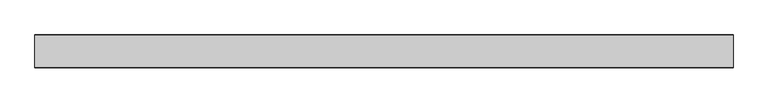
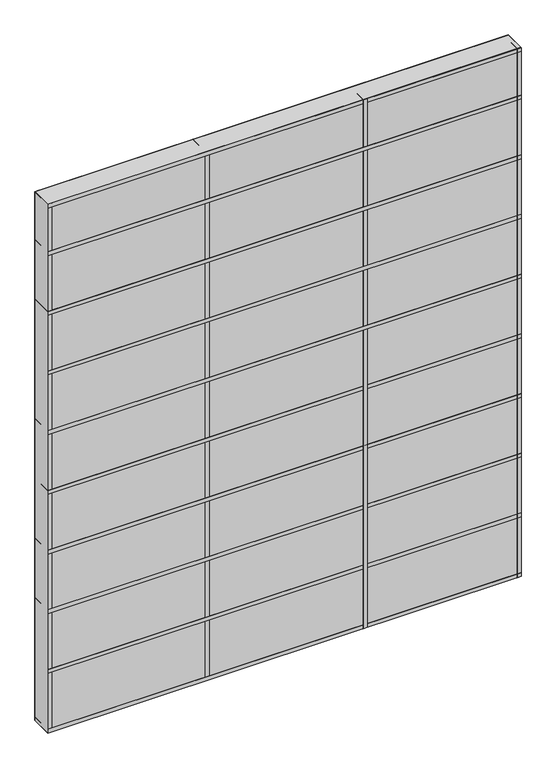
"""IFC4 building model written with IfcOpenShell, lengths in millimetres: plate geometry."""

from ifc_helpers import new_model, si_unit, frame, origin, origin_with_axes, place, context, project, spatial, polyline, outline, extrude, source, transform, mapped, element, save


def plate_dddb5581(model_context):
    return source(origin(), model_context, "Body", "SweptSolid", [
        extrude(outline(polyline([(762.0, 34.925), (762.0, -34.925), (-762.0, -34.925), (-762.0, 34.925), (762.0, 34.925)])), origin_with_axes(), (0.0, 0.0, 1.0), 1799.8),
        extrude(outline(polyline([(762.0, 35.71875), (762.0, -35.71875), (-762.0, -35.71875), (-762.0, 35.71875), (762.0, 35.71875)])), frame((0.0, 0.0, 1625.6), z_axis=(0.0, 0.0, 1.0), x_axis=(1.0, 0.0, 0.0)), (0.0, 0.0, 1.0), 12.7),
        extrude(outline(polyline([(762.0, 35.71875), (762.0, -35.71875), (-762.0, -35.71875), (-762.0, 35.71875), (762.0, 35.71875)])), frame((0.0, 0.0, 1422.4), z_axis=(0.0, 0.0, 1.0), x_axis=(1.0, 0.0, 0.0)), (0.0, 0.0, 1.0), 12.7),
        extrude(outline(polyline([(762.0, 35.71875), (762.0, -35.71875), (-762.0, -35.71875), (-762.0, 35.71875), (762.0, 35.71875)])), frame((0.0, 0.0, 1219.2), z_axis=(0.0, 0.0, 1.0), x_axis=(1.0, 0.0, 0.0)), (0.0, 0.0, 1.0), 12.7),
        extrude(outline(polyline([(762.0, 35.71875), (762.0, -35.71875), (-762.0, -35.71875), (-762.0, 35.71875), (762.0, 35.71875)])), frame((0.0, 0.0, 1016.0), z_axis=(0.0, 0.0, 1.0), x_axis=(1.0, 0.0, 0.0)), (0.0, 0.0, 1.0), 12.7),
        extrude(outline(polyline([(266.7, 35.71875), (266.7, -35.71875), (254.0, -35.71875), (254.0, 35.71875), (266.7, 35.71875)])), origin_with_axes(), (0.0, 0.0, 1.0), 1799.8),
        extrude(outline(polyline([(762.0, 35.71875), (762.0, -35.71875), (-762.0, -35.71875), (-762.0, 35.71875), (762.0, 35.71875)])), frame((0.0, 0.0, 812.8), z_axis=(0.0, 0.0, 1.0), x_axis=(1.0, 0.0, 0.0)), (0.0, 0.0, 1.0), 12.7),
        extrude(outline(polyline([(762.0, 35.71875), (762.0, -35.71875), (-762.0, -35.71875), (-762.0, 35.71875), (762.0, 35.71875)])), frame((0.0, 0.0, 609.6), z_axis=(0.0, 0.0, 1.0), x_axis=(1.0, 0.0, 0.0)), (0.0, 0.0, 1.0), 12.7),
        extrude(outline(polyline([(762.0, 35.71875), (762.0, -35.71875), (-762.0, -35.71875), (-762.0, 35.71875), (762.0, 35.71875)])), frame((0.0, 0.0, 406.4), z_axis=(0.0, 0.0, 1.0), x_axis=(1.0, 0.0, 0.0)), (0.0, 0.0, 1.0), 12.7),
        extrude(outline(polyline([(762.0, 35.71875), (762.0, -35.71875), (-762.0, -35.71875), (-762.0, 35.71875), (762.0, 35.71875)])), frame((0.0, 0.0, 1787.1), z_axis=(0.0, 0.0, 1.0), x_axis=(1.0, 0.0, 0.0)), (0.0, 0.0, 1.0), 12.7),
        extrude(outline(polyline([(762.0, 35.71875), (762.0, -35.71875), (-762.0, -35.71875), (-762.0, 35.71875), (762.0, 35.71875)])), frame((0.0, 0.0, 203.2), z_axis=(0.0, 0.0, 1.0), x_axis=(1.0, 0.0, 0.0)), (0.0, 0.0, 1.0), 12.7),
        extrude(outline(polyline([(762.0, 35.71875), (762.0, -35.71875), (-762.0, -35.71875), (-762.0, 35.71875), (762.0, 35.71875)])), origin_with_axes(), (0.0, 0.0, 1.0), 12.7),
        extrude(outline(polyline([(-241.3, 35.71875), (-241.3, -35.71875), (-254.0, -35.71875), (-254.0, 35.71875), (-241.3, 35.71875)])), origin_with_axes(), (0.0, 0.0, 1.0), 1799.8),
        extrude(outline(polyline([(762.0, 35.71875), (762.0, -35.71875), (749.3, -35.71875), (749.3, 35.71875), (762.0, 35.71875)])), origin_with_axes(), (0.0, 0.0, 1.0), 1799.8),
        extrude(outline(polyline([(-749.3, 35.71875), (-749.3, -35.71875), (-762.0, -35.71875), (-762.0, 35.71875), (-749.3, 35.71875)])), origin_with_axes(), (0.0, 0.0, 1.0), 1799.8),
    ])


if __name__ == "__main__":
    model = new_model("IFC4")
    model_context = context("Model", 3, world=origin())
    ifc_project = project(units=[si_unit("LENGTHUNIT", "METRE", prefix="MILLI")], contexts=[model_context])
    site = spatial("IfcSite", under=ifc_project)
    building = spatial("IfcBuilding", under=site)
    placement = place(None, origin())
    plate_shape = plate_dddb5581(model_context)
    element("IfcPlate", 1, at=placement, inside=building, context=model_context, shape_type="MappedRepresentation", body=[
        mapped(plate_shape, transform((0.0, 0.0, 0.0), x_axis=(1.0, 0.0, 0.0), y_axis=(0.0, 1.0, 0.0), z_axis=(0.0, 0.0, 1.0))),
    ])
    save(model, "model.ifc")
